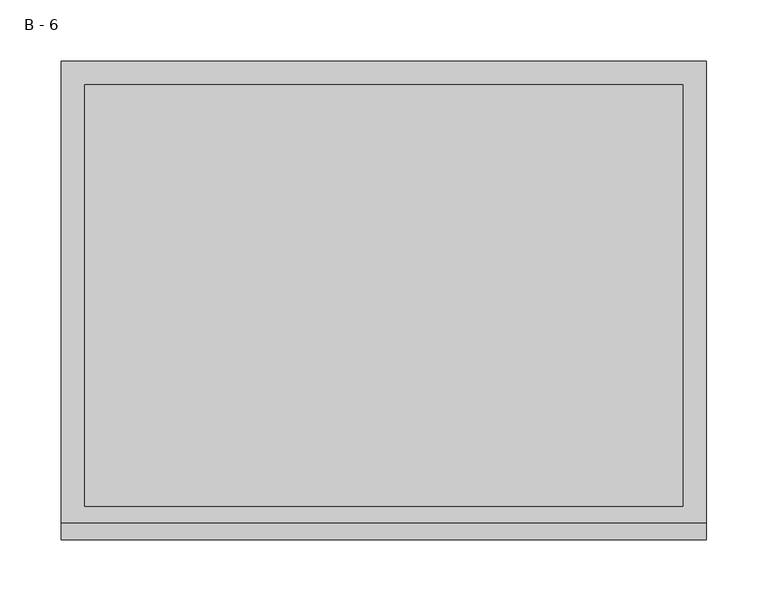
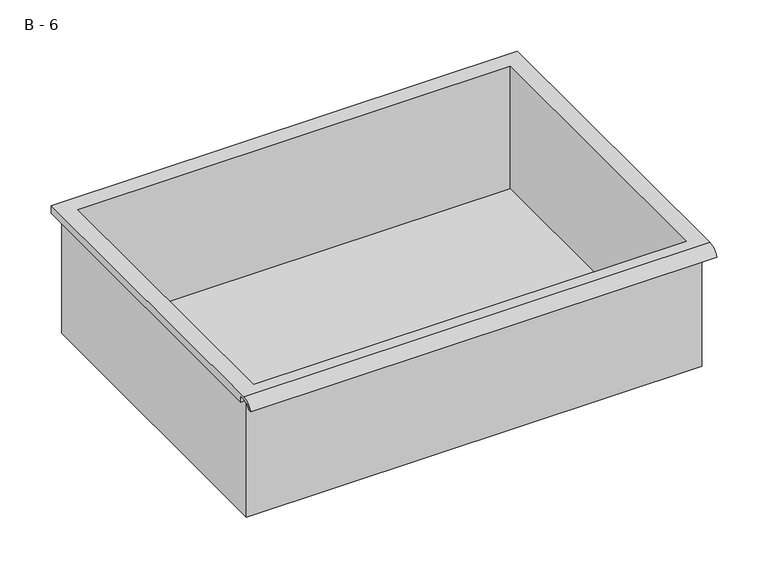
"""IFC4 building model written with IfcOpenShell, lengths in millimetres: furniture geometry, B - 6."""

from ifc_helpers import new_model, si_unit, frame, origin, place, context, project, spatial, polyline, circle_curve, source, transform, mapped, element, save
from ifc_brep_helpers import plane_surface, cylinder_surface, revolved_surface, advanced_brep


def b_6_d2d0c87f(model_context):
    return source(origin(), model_context, "Body", "AdvancedBrep", [
        advanced_brep(
        [(-257.1076517, -176.2125, 636.59512), (257.2423483, -176.2125, 636.59512), (257.2423483, -176.2125, 776.29512), (263.5923483, -176.2125, 776.29512), (263.5923483, -176.2125, 782.6022541), (-263.4576517, -176.2125, 782.6022541), (-263.4576517, -176.2125, 776.29512), (-257.1076517, -176.2125, 776.29512), (257.2423483, 185.7375, 636.59512), (-257.1076517, 185.7375, 636.59512), (-257.1076517, 185.7375, 776.29512), (257.2423483, 185.7375, 776.29512), (263.5923483, -181.6070544, 785.82012), (263.5923483, 195.2625, 785.82012), (-263.4576517, 195.2625, 785.82012), (-263.4576517, -181.6070544, 785.82012), (244.5423483, -168.275, 785.82012), (-244.4076517, -168.275, 785.82012), (-244.4076517, 176.2125, 785.82012), (244.5423483, 176.2125, 785.82012), (263.5923483, -195.2625, 776.29512), (263.5923483, -191.8280601, 776.29512), (263.5923483, -180.4714815, 782.6022541), (263.5923483, 195.2625, 776.29512), (-263.4576517, 195.2625, 776.29512), (-263.4576517, -180.4714815, 782.6022541), (-263.4576517, -191.8280601, 776.29512), (-263.4576517, -195.2625, 776.29512), (-244.4076517, -168.275, 639.6212919), (244.5423483, -168.275, 639.6212919), (244.5423483, 176.2125, 639.6212919), (-244.4076517, 176.2125, 639.6212919)],
        [
            (0, 1),
            (1, 2),
            (2, 3),
            (3, 4),
            (4, 5),
            (5, 6),
            (6, 7),
            (7, 0),
            (8, 9),
            (9, 10),
            (10, 11),
            (11, 8),
            (0, 9),
            (8, 1),
            (11, 2),
            (12, 13),
            (13, 14),
            (14, 15),
            (15, 12),
            (16, 17),
            (17, 18),
            (18, 19),
            (19, 16),
            (7, 10),
            (12, 20, circle_curve(frame((263.5923483, -181.6070544, 771.2691059), z_axis=(1.0, 0.0, 0.0), x_axis=(0.0, 1.0, 0.0)), 14.5510141)),
            (20, 21),
            (21, 22, circle_curve(frame((263.5923483, -181.6070544, 771.2691059), z_axis=(-1.0, 0.0, 0.0), x_axis=(0.0, 1.0, 0.0)), 11.3898979)),
            (22, 4),
            (3, 23),
            (23, 13),
            (14, 24),
            (24, 6),
            (5, 25),
            (25, 26, circle_curve(frame((-263.4576517, -181.6070544, 771.2691059), z_axis=(1.0, 0.0, 0.0), x_axis=(0.0, 1.0, 0.0)), 11.3898979)),
            (26, 27),
            (27, 15, circle_curve(frame((-263.4576517, -181.6070544, 771.2691059), z_axis=(-1.0, 0.0, 0.0), x_axis=(0.0, 1.0, 0.0)), 14.5510141)),
            (27, 20),
            (26, 21),
            (25, 22),
            (24, 23),
            (28, 29),
            (29, 30),
            (30, 31),
            (31, 28),
            (28, 17),
            (16, 29),
            (19, 30),
            (18, 31),
        ],
        [
            plane_surface(frame((257.2423483, -176.2125, 636.59512), z_axis=(0.0, -1.0, 0.0), x_axis=(1.0, 0.0, 0.0))),
            plane_surface(frame((257.2423483, 185.7375, 636.59512), z_axis=(0.0, 1.0, 0.0), x_axis=(-1.0, 0.0, 0.0))),
            plane_surface(frame((-257.1076517, -176.2125, 636.59512), z_axis=(0.0, 0.0, -1.0), x_axis=(0.0, 1.0, 0.0))),
            plane_surface(frame((257.2423483, -176.2125, 636.59512), z_axis=(1.0, 0.0, 0.0), x_axis=(0.0, 1.0, 0.0))),
            plane_surface(frame((257.2423483, -176.2125, 785.82012), z_axis=(0.0, 0.0, 1.0), x_axis=(0.0, 1.0, 0.0))),
            plane_surface(frame((-257.1076517, -176.2125, 785.82012), z_axis=(-1.0, 0.0, 0.0), x_axis=(0.0, 1.0, 0.0))),
            plane_surface(frame((263.5923483, 195.2625, 785.82012), z_axis=(1.0, 0.0, 0.0), x_axis=(0.0, -1.0, 0.0))),
            plane_surface(frame((-263.4576517, 195.2625, 785.82012), z_axis=(-1.0, 0.0, 0.0), x_axis=(0.0, 1.0, 0.0))),
            cylinder_surface(frame((-263.4576517, -181.6070544, 771.2691059), z_axis=(1.0, 0.0, 0.0), x_axis=(0.0, 1.0, 0.0)), 14.5510141),
            plane_surface(frame((263.5923483, -195.2625, 776.29512), z_axis=(0.0, -7.212409108516109e-12, -1.0), x_axis=(-1.0, 0.0, 0.0))),
            revolved_surface(polyline([(-263.4576517, -170.21715650000002, 771.2691059), (263.59234829999997, -170.21715650000002, 771.2691059)]), (-263.4576517, -181.6070544, 771.2691059), (-1.0, 0.0, 0.0)),
            plane_surface(frame((263.5923483, -180.4714815, 782.6022541), z_axis=(0.0, -1.786141026417801e-11, -1.0), x_axis=(-1.0, 0.0, 0.0))),
            plane_surface(frame((263.5923483, -176.2125, 776.29512), z_axis=(0.0, 0.0, -1.0), x_axis=(-1.0, 0.0, 0.0))),
            plane_surface(frame((263.5923483, 195.2625, 776.29512), z_axis=(0.0, 1.0, 0.0), x_axis=(-1.0, 0.0, 0.0))),
            plane_surface(frame((244.5423483, -168.275, 639.6212919), z_axis=(0.0, 0.0, 1.0), x_axis=(-1.0, 0.0, 0.0))),
            plane_surface(frame((-244.4076517, -168.275, 785.82012), z_axis=(0.0, 1.0, 0.0), x_axis=(0.0, 0.0, -1.0))),
            plane_surface(frame((244.5423483, -168.275, 785.82012), z_axis=(-1.0, 0.0, 0.0), x_axis=(0.0, 0.0, -1.0))),
            plane_surface(frame((244.5423483, 176.2125, 785.82012), z_axis=(0.0, -1.0, 0.0), x_axis=(0.0, 0.0, -1.0))),
            plane_surface(frame((-244.4076517, 176.2125, 785.82012), z_axis=(1.0, 0.0, 0.0), x_axis=(0.0, 0.0, -1.0))),
        ],
        [
            (0, [[1, 2, 3, 4, 5, 6, 7, 8]]),
            (1, [[9, 10, 11, 12]]),
            (2, [[-1, 13, -9, 14]]),
            (3, [[-14, -12, 15, -2]]),
            (4, [[16, 17, 18, 19], [20, 21, 22, 23]]),
            (5, [[-13, -8, 24, -10]]),
            (6, [[-16, 25, 26, 27, 28, -4, 29, 30]]),
            (7, [[31, 32, -6, 33, 34, 35, 36, -18]]),
            (8, [[-25, -19, -36, 37]]),
            (9, [[-26, -37, -35, 38]]),
            (10, [[-27, -38, -34, 39]]),
            (11, [[-28, -39, -33, -5]]),
            (12, [[-29, -3, -15, -11, -24, -7, -32, 40]]),
            (13, [[-30, -40, -31, -17]]),
            (14, [[41, 42, 43, 44]]),
            (15, [[-41, 45, -20, 46]]),
            (16, [[-42, -46, -23, 47]]),
            (17, [[-43, -47, -22, 48]]),
            (18, [[-44, -48, -21, -45]]),
        ],
    ),
    ])


if __name__ == "__main__":
    model = new_model("IFC4")
    model_context = context("Model", 3, world=origin())
    ifc_project = project(units=[si_unit("LENGTHUNIT", "METRE", prefix="MILLI")], contexts=[model_context])
    site = spatial("IfcSite", under=ifc_project)
    building = spatial("IfcBuilding", under=site)
    placement = place(None, origin())
    b_6_shape = b_6_d2d0c87f(model_context)
    element("IfcFurniture", 1, ObjectType="B - 6", at=placement, inside=building, context=model_context, shape_type="MappedRepresentation", body=[
        mapped(b_6_shape, transform((0.0, 0.0, 0.0), x_axis=(1.0, 0.0, 0.0), y_axis=(0.0, 1.0, 0.0), z_axis=(0.0, 0.0, 1.0))),
    ])
    save(model, "model.ifc")
